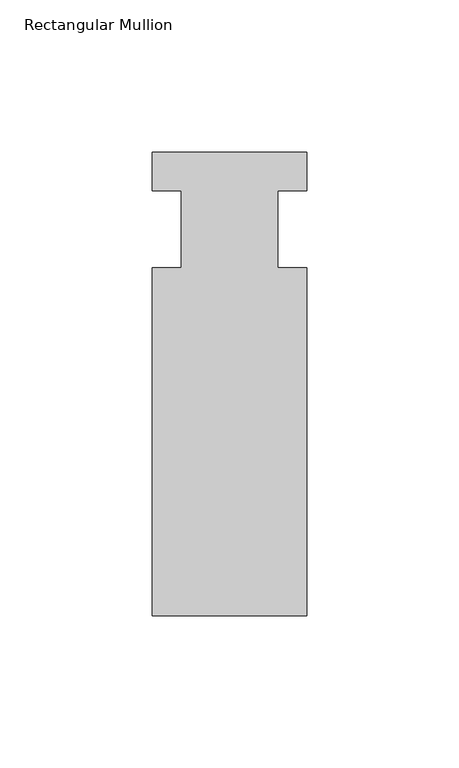
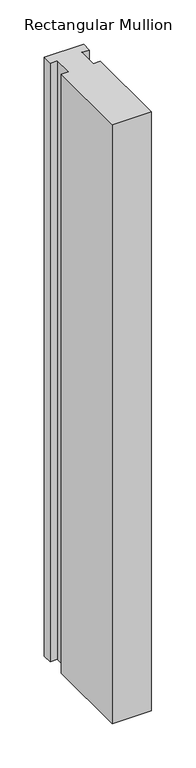
"""IFC4 building model written with IfcOpenShell, lengths in millimetres: member geometry, Rectangular Mullion."""

from ifc_helpers import new_model, si_unit, frame, origin, place, context, project, spatial, polyline, outline, extrude, source, transform, mapped, element, save


def rectangular_mullion_9b2f75fe(model_context):
    return source(origin(), model_context, "Body", "SweptSolid", [
        extrude(outline(polyline([(25.4, -139.7), (-25.4, -139.7), (-25.4, -25.4), (-15.875, -25.4), (-15.875, 0.0), (-25.4, 0.0), (-25.4, 12.7), (25.4, 12.7), (25.4, 0.0), (15.875, 0.0), (15.875, -25.4), (25.4, -25.4), (25.4, -139.7)])), frame((0.0, 0.0, -822.325), z_axis=(0.0, 0.0, 1.0), x_axis=(1.0, 0.0, 0.0)), (0.0, 0.0, 1.0), 822.325),
    ])


if __name__ == "__main__":
    model = new_model("IFC4")
    model_context = context("Model", 3, world=origin())
    ifc_project = project(units=[si_unit("LENGTHUNIT", "METRE", prefix="MILLI")], contexts=[model_context])
    site = spatial("IfcSite", under=ifc_project)
    building = spatial("IfcBuilding", under=site)
    placement = place(None, origin())
    rectangular_mullion_shape = rectangular_mullion_9b2f75fe(model_context)
    element("IfcMember", 1, ObjectType="Rectangular Mullion", at=placement, inside=building, context=model_context, shape_type="MappedRepresentation", body=[
        mapped(rectangular_mullion_shape, transform((0.0, 0.0, 0.0), x_axis=(1.0, 0.0, 0.0), y_axis=(0.0, 1.0, 0.0), z_axis=(0.0, 0.0, 1.0))),
    ])
    save(model, "model.ifc")
